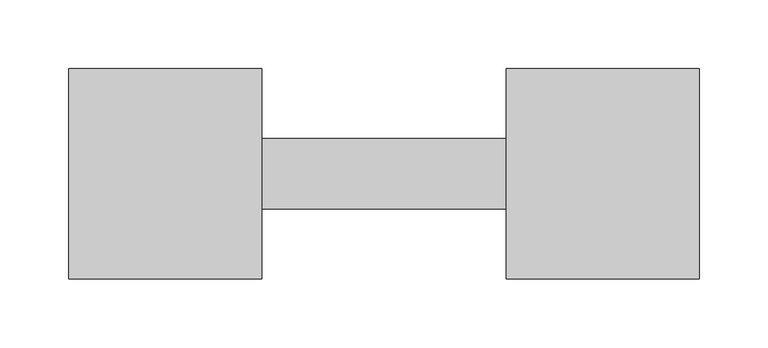
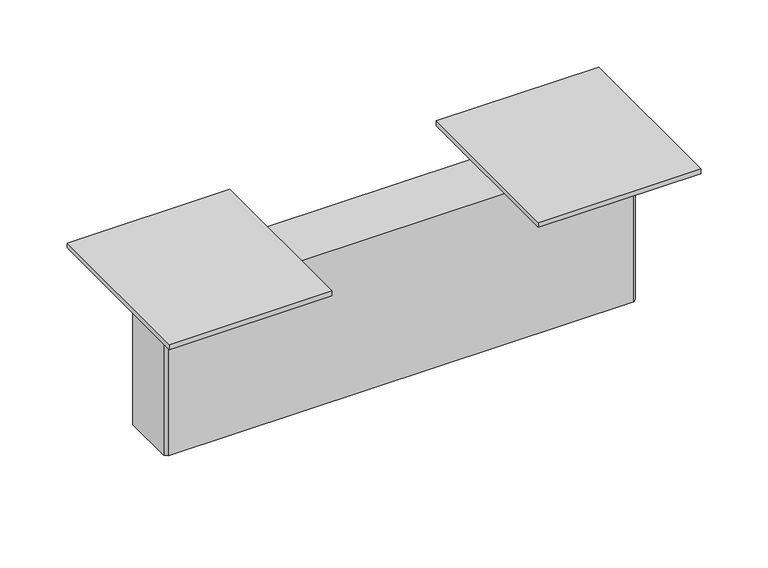
"""IFC4 building model written with IfcOpenShell, lengths in millimetres: furniture geometry."""

from ifc_helpers import new_model, si_unit, frame, origin, place, context, project, spatial, polyline, outline, extrude, source, transform, mapped, element, save


def furniture_d31eb825(model_context):
    return source(origin(), model_context, "Body", "SweptSolid", [
        extrude(outline(polyline([(111.4694339, 621.4846273), (111.4694339, 469.0846273), (-28.2305661, 469.0846273), (-28.2305661, 621.4846273), (111.4694339, 621.4846273)])), frame((0.0, 0.0, 702.66814), z_axis=(0.0, 0.0, 1.0), x_axis=(1.0, 0.0, 0.0)), (0.0, 0.0, 1.0), 4.34086),
        extrude(outline(polyline([(428.8398939, 621.4846273), (428.8398939, 469.0846273), (289.1398939, 469.0846273), (289.1398939, 621.4846273), (428.8398939, 621.4846273)])), frame((0.0, 0.0, 702.66814), z_axis=(0.0, 0.0, 1.0), x_axis=(1.0, 0.0, 0.0)), (0.0, 0.0, 1.0), 4.34086),
        extrude(outline(polyline([(400.4426939, 519.8846273), (0.0218539, 519.8846273), (-2.5181461, 522.4246273), (-2.5181461, 568.1446273), (0.0218539, 570.6846273), (400.4426939, 570.6846273), (402.9826939, 568.1446273), (402.9826939, 522.4246273), (400.4426939, 519.8846273)])), frame((0.0, 0.0, 565.27954), z_axis=(0.0, 0.0, 1.0), x_axis=(1.0, 0.0, 0.0)), (0.0, 0.0, 1.0), 137.3886),
    ])


if __name__ == "__main__":
    model = new_model("IFC4")
    model_context = context("Model", 3, world=origin())
    ifc_project = project(units=[si_unit("LENGTHUNIT", "METRE", prefix="MILLI")], contexts=[model_context])
    site = spatial("IfcSite", under=ifc_project)
    building = spatial("IfcBuilding", under=site)
    placement = place(None, origin())
    furniture_shape = furniture_d31eb825(model_context)
    element("IfcFurniture", 1, at=placement, inside=building, context=model_context, shape_type="MappedRepresentation", body=[
        mapped(furniture_shape, transform((0.0, 0.0, 0.0), x_axis=(1.0, 0.0, 0.0), y_axis=(0.0, 1.0, 0.0), z_axis=(0.0, 0.0, 1.0))),
    ])
    save(model, "model.ifc")
